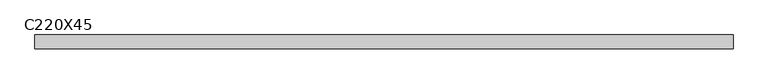
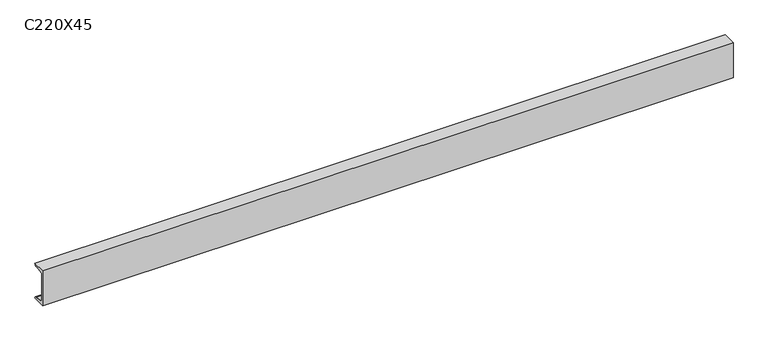
"""IFC4 building model written with IfcOpenShell, lengths in millimetres: beam geometry, C220X45."""

from ifc_helpers import new_model, si_unit, point, frame, frame_2d, origin, place, context, project, spatial, polyline, circle_curve, trimmed, segment, composite_curve, outline, extrude, source, transform, mapped, element, save


def c220x45_6d9c310c(model_context):
    return source(origin(), model_context, "Body", "SweptSolid", [
        extrude(outline(composite_curve([segment(polyline([(-17.0, 110.0), (64.0, 110.0)]), True, "CONTINUOUS"), segment(trimmed(circle_curve(frame_2d((51.0, 110.0)), 13.0), [point((64.0, 110.0))], [point((51.0, 97.0))], False, "CARTESIAN"), True, "CONTINUOUS"), segment(polyline([(51.0, 97.0), (-4.0, 88.2888558), (-4.0, -88.2888558), (51.0, -97.0)]), True, "CONTINUOUS"), segment(trimmed(circle_curve(frame_2d((51.0, -110.0)), 13.0), [point((51.0, -97.0))], [point((64.0, -110.0))], False, "CARTESIAN"), True, "CONTINUOUS"), segment(polyline([(64.0, -110.0), (-17.0, -110.0), (-17.0, 110.0)]), True, "CONTINUOUS")], self_intersect=False)), frame((-2053.0, 0.0, 0.0), z_axis=(1.0, 0.0, 0.0), x_axis=(0.0, 1.0, 0.0)), (0.0, 0.0, 1.0), 4106.0),
    ])


if __name__ == "__main__":
    model = new_model("IFC4")
    model_context = context("Model", 3, world=origin())
    ifc_project = project(units=[si_unit("LENGTHUNIT", "METRE", prefix="MILLI")], contexts=[model_context])
    site = spatial("IfcSite", under=ifc_project)
    building = spatial("IfcBuilding", under=site)
    placement = place(None, origin())
    c220x45_shape = c220x45_6d9c310c(model_context)
    element("IfcBeam", 1, ObjectType="C220X45", at=placement, inside=building, context=model_context, shape_type="MappedRepresentation", body=[
        mapped(c220x45_shape, transform((0.0, 0.0, 0.0), x_axis=(1.0, 0.0, 0.0), y_axis=(0.0, 1.0, 0.0), z_axis=(0.0, 0.0, 1.0))),
    ])
    save(model, "model.ifc")
